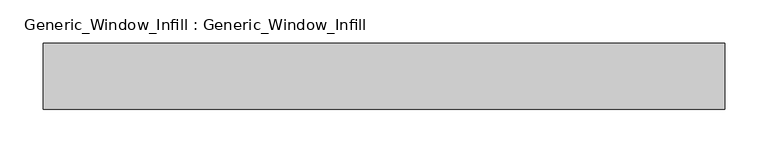
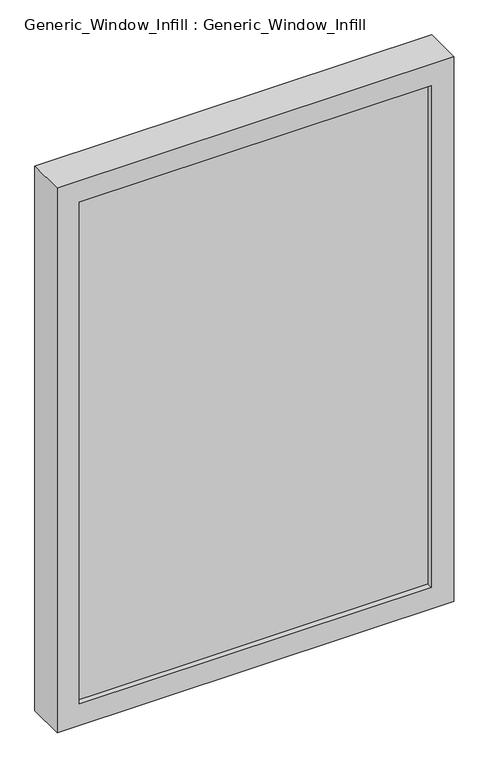
"""IFC4 building model written with IfcOpenShell, lengths in millimetres: plate geometry, Generic_Window_Infill : Generic_Window_Infill."""

from ifc_helpers import new_model, si_unit, frame, origin, place, context, project, spatial, polyline, outline, extrude, source, transform, mapped, element, save


def generic_window_infill_generic_window_infill_1661d24e(model_context):
    return source(origin(), model_context, "Body", "SweptSolid", [
        extrude(outline(polyline([(349.25, 12.0261239), (-349.25, 12.0261239), (-349.25, 42.4497356), (349.25, 42.4497356), (349.25, 12.0261239)])), frame((0.0, 0.0, 44.45), z_axis=(0.0, 0.0, 1.0), x_axis=(1.0, 0.0, 0.0)), (0.0, 0.0, 1.0), 1054.1),
        extrude(outline(polyline([(1143.0, 393.7), (1143.0, -393.7), (0.0, -393.7), (0.0, 393.7), (1143.0, 393.7)]), holes=[polyline([(44.45, 349.25), (44.45, -349.25), (1098.55, -349.25), (1098.55, 349.25), (44.45, 349.25)])]), frame((0.0, 0.0, 0.0), z_axis=(0.0, 1.0, 0.0), x_axis=(0.0, 0.0, 1.0)), (0.0, 0.0, 1.0), 76.2),
    ])


if __name__ == "__main__":
    model = new_model("IFC4")
    model_context = context("Model", 3, world=origin())
    ifc_project = project(units=[si_unit("LENGTHUNIT", "METRE", prefix="MILLI")], contexts=[model_context])
    site = spatial("IfcSite", under=ifc_project)
    building = spatial("IfcBuilding", under=site)
    placement = place(None, origin())
    generic_window_infill_generic_window_infill_shape = generic_window_infill_generic_window_infill_1661d24e(model_context)
    element("IfcPlate", 1, ObjectType="Generic_Window_Infill : Generic_Window_Infill", at=placement, inside=building, context=model_context, shape_type="MappedRepresentation", body=[
        mapped(generic_window_infill_generic_window_infill_shape, transform((0.0, 0.0, 0.0), x_axis=(1.0, 0.0, 0.0), y_axis=(0.0, 1.0, 0.0), z_axis=(0.0, 0.0, 1.0))),
    ])
    save(model, "model.ifc")
